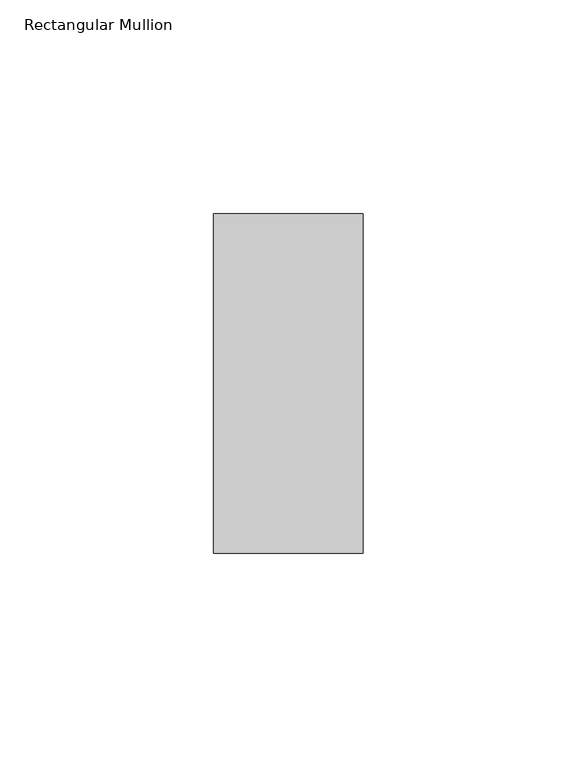
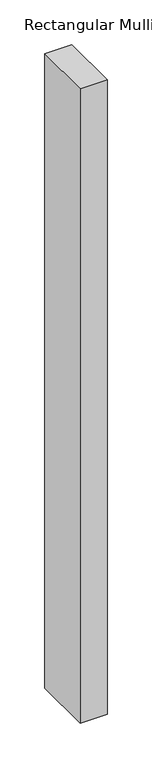
"""IFC4 building model written with IfcOpenShell, lengths in millimetres: member geometry, Rectangular Mullion."""

from ifc_helpers import new_model, si_unit, frame, origin, place, context, project, spatial, polyline, outline, extrude, source, transform, mapped, element, save


def rectangular_mullion_9a72c589(model_context):
    return source(origin(), model_context, "Body", "SweptSolid", [
        extrude(outline(polyline([(0.0, 34.925), (0.0, -44.45), (-34.925, -44.45), (-34.925, 34.925), (0.0, 34.925)])), frame((0.0, 0.0, -867.41), z_axis=(0.0, 0.0, 1.0), x_axis=(1.0, 0.0, 0.0)), (0.0, 0.0, 1.0), 867.41),
    ])


if __name__ == "__main__":
    model = new_model("IFC4")
    model_context = context("Model", 3, world=origin())
    ifc_project = project(units=[si_unit("LENGTHUNIT", "METRE", prefix="MILLI")], contexts=[model_context])
    site = spatial("IfcSite", under=ifc_project)
    building = spatial("IfcBuilding", under=site)
    placement = place(None, origin())
    rectangular_mullion_shape = rectangular_mullion_9a72c589(model_context)
    element("IfcMember", 1, ObjectType="Rectangular Mullion", at=placement, inside=building, context=model_context, shape_type="MappedRepresentation", body=[
        mapped(rectangular_mullion_shape, transform((0.0, 0.0, 0.0), x_axis=(1.0, 0.0, 0.0), y_axis=(0.0, 1.0, 0.0), z_axis=(0.0, 0.0, 1.0))),
    ])
    save(model, "model.ifc")
